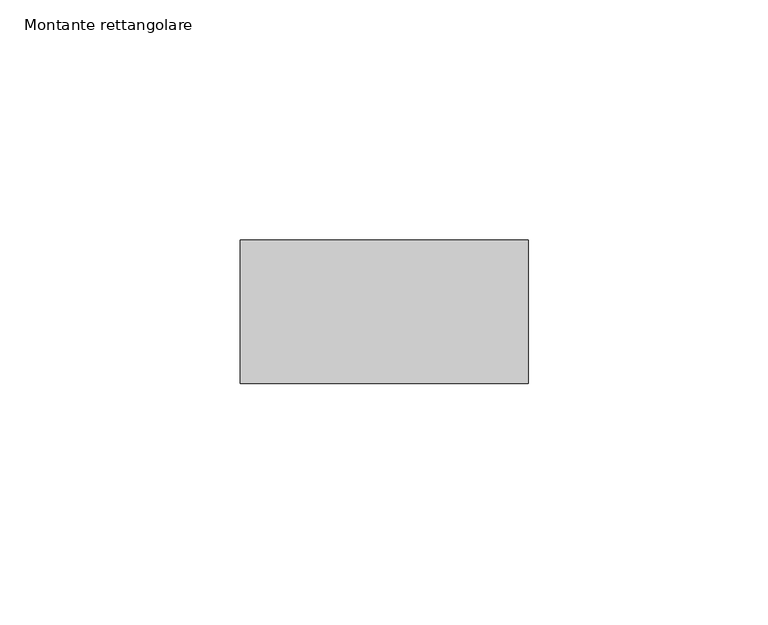
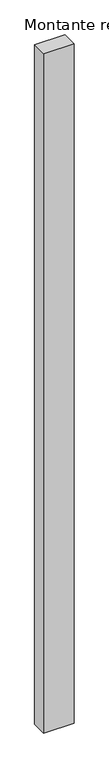
"""IFC4 building model written with IfcOpenShell, lengths in millimetres: member geometry, Montante rettangolare."""

from ifc_helpers import new_model, si_unit, frame, origin, place, context, project, spatial, polyline, outline, extrude, source, transform, mapped, element, save


def montante_rettangolare_28d41466(model_context):
    return source(origin(), model_context, "Body", "SweptSolid", [
        extrude(outline(polyline([(30.0, 15.0), (30.0, -15.0), (-30.0, -15.0), (-30.0, 15.0), (30.0, 15.0)])), frame((0.0, 0.0, -1417.2931609), z_axis=(0.0, 0.0, 1.0), x_axis=(1.0, 0.0, 0.0)), (0.0, 0.0, 1.0), 1417.2931609),
    ])


if __name__ == "__main__":
    model = new_model("IFC4")
    model_context = context("Model", 3, world=origin())
    ifc_project = project(units=[si_unit("LENGTHUNIT", "METRE", prefix="MILLI")], contexts=[model_context])
    site = spatial("IfcSite", under=ifc_project)
    building = spatial("IfcBuilding", under=site)
    placement = place(None, origin())
    montante_rettangolare_shape = montante_rettangolare_28d41466(model_context)
    element("IfcMember", 1, ObjectType="Montante rettangolare", at=placement, inside=building, context=model_context, shape_type="MappedRepresentation", body=[
        mapped(montante_rettangolare_shape, transform((0.0, 0.0, 0.0), x_axis=(1.0, 0.0, 0.0), y_axis=(0.0, 1.0, 0.0), z_axis=(0.0, 0.0, 1.0))),
    ])
    save(model, "model.ifc")
